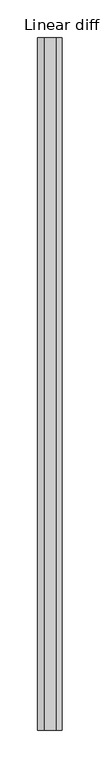
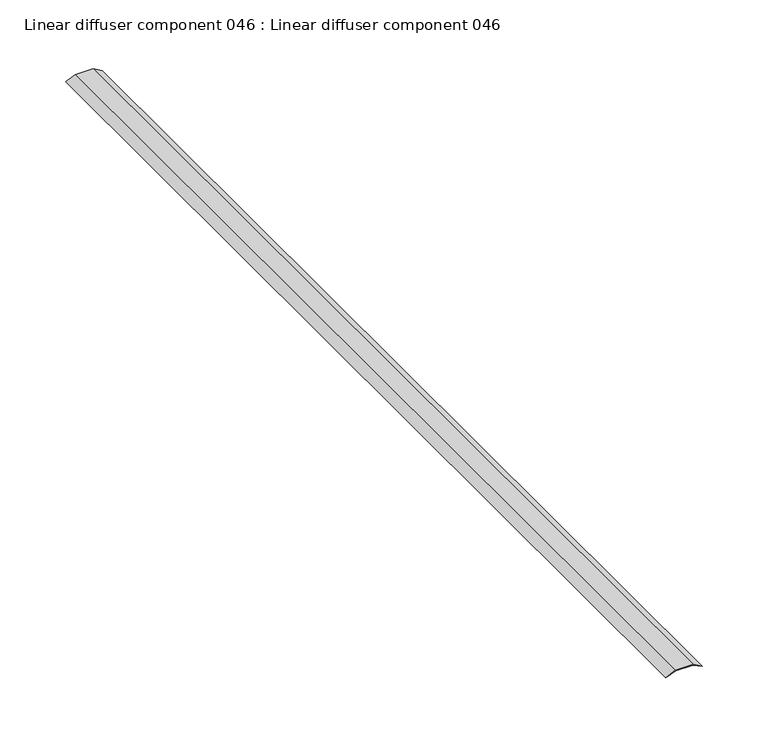
"""IFC4 building model written with IfcOpenShell, lengths in millimetres: proxy geometry, Linear diffuser component 046 : Linear diffuser component 046."""

import ifcopenshell
import ifcopenshell.guid

model = None  # the IFC model being written
_history = None  # IfcOwnerHistory: only IFC2X3 demands one
_inside = {}  # id of a spatial element -> (the spatial element, [elements in it])
_under = {}  # id of a project, library or spatial element -> (it, [spatial elements below it])
_declared = {}  # id of a project -> (the project, [libraries it declares])
_typed = {}  # id of a type object -> (the type object, [elements of that type])
_made_of = {}  # id of a material, layer set ... -> (it, [elements and type objects made of it])


def new_model(schema):
    """Start an empty IFC model of exactly this schema.

    Asked for "IFC4X3", IfcOpenShell would pick the latest addendum, in which some entities
    have other attributes; the version numbers below select the first issue.
    IFC2X3 requires an IfcOwnerHistory on every rooted entity: one is made here for all.
    """
    global model, _history
    if schema == "IFC4X3":
        model = ifcopenshell.file(schema_version=(4, 3, 0, 0))
    else:
        model = ifcopenshell.file(schema=schema)
    _inside.clear()
    _under.clear()
    _declared.clear()
    _typed.clear()
    _made_of.clear()
    _history = None
    if model.schema == "IFC2X3":
        org = make("IfcOrganization", Name="unknown")
        user = make(
            "IfcPersonAndOrganization",
            ThePerson=make("IfcPerson", FamilyName="unknown"),
            TheOrganization=org,
        )
        app = make(
            "IfcApplication",
            ApplicationDeveloper=org,
            Version="unknown",
            ApplicationFullName="unknown",
            ApplicationIdentifier="unknown",
        )
        _history = make(
            "IfcOwnerHistory",
            OwningUser=user,
            OwningApplication=app,
            ChangeAction="ADDED",
            CreationDate=0,
        )
    return model


def make(cls, **values):
    """One entity of the class cls with the attributes given. An attribute that is None is left unset."""
    return model.create_entity(
        cls, **{name: value for name, value in values.items() if value is not None}
    )


def rooted(cls, **values):
    """An entity with a GlobalId (a new one), such as an element, a storey or a relation."""
    return make(cls, GlobalId=ifcopenshell.guid.new(), OwnerHistory=_history, **values)


def si_unit(unit_type, name, prefix=None):
    """IfcSIUnit, for example si_unit("LENGTHUNIT", "METRE", prefix="MILLI")."""
    return make("IfcSIUnit", UnitType=unit_type, Prefix=prefix, Name=name)


def assignment(units):
    """IfcUnitAssignment: the units of a project."""
    return None if units is None else make("IfcUnitAssignment", Units=units)


def point(xyz):
    """IfcCartesianPoint."""
    return None if xyz is None else make("IfcCartesianPoint", Coordinates=xyz)


def direction(xyz):
    """IfcDirection."""
    return None if xyz is None else make("IfcDirection", DirectionRatios=xyz)


def frame(location, z_axis=None, x_axis=None):
    """IfcAxis2Placement3D, a coordinate frame: its origin and axes. An axis left out is left unset."""
    return make(
        "IfcAxis2Placement3D",
        Location=point(location),
        Axis=direction(z_axis),
        RefDirection=direction(x_axis),
    )


def origin():
    """The frame at (0, 0, 0) with its axes left unset."""
    return frame((0.0, 0.0, 0.0))


def place(relative_to, where):
    """IfcLocalPlacement: puts the frame where relative to a parent placement (None: the world)."""
    return make(
        "IfcLocalPlacement", PlacementRelTo=relative_to, RelativePlacement=where
    )


def context(
    kind, dimensions, precision=None, world=None, true_north=None, identifier=None
):
    """IfcGeometricRepresentationContext, for example the 3D "Model" context."""
    return make(
        "IfcGeometricRepresentationContext",
        ContextIdentifier=identifier,
        ContextType=kind,
        CoordinateSpaceDimension=dimensions,
        Precision=precision,
        WorldCoordinateSystem=world,
        TrueNorth=true_north,
    )


def project(units=None, contexts=None):
    """IfcProject with its units and contexts."""
    return rooted(
        "IfcProject",
        Name="project",
        RepresentationContexts=contexts,
        UnitsInContext=assignment(units),
    )


def spatial(cls, under=None, at=None, **own):
    """A site, building, storey or space (cls), placed at a placement, below another one or the project."""
    s = rooted(cls, ObjectPlacement=at, **own)
    if under is not None:
        _under.setdefault(under.id(), (under, []))[1].append(s)
    return s


def polyline(points):
    """IfcPolyline through the points."""
    return make("IfcPolyline", Points=[point(p) for p in points])


def outline(outer, holes=None, kind="AREA"):
    """IfcArbitraryClosedProfileDef: a profile drawn as a closed curve; with holes, ...WithVoids."""
    if holes is None:
        return make("IfcArbitraryClosedProfileDef", ProfileType=kind, OuterCurve=outer)
    return make(
        "IfcArbitraryProfileDefWithVoids",
        ProfileType=kind,
        OuterCurve=outer,
        InnerCurves=holes,
    )


def extrude(swept, where, along, depth):
    """IfcExtrudedAreaSolid: the profile swept, set in the frame where, extruded along a direction by depth."""
    return make(
        "IfcExtrudedAreaSolid",
        SweptArea=swept,
        Position=where,
        ExtrudedDirection=direction(along),
        Depth=depth,
    )


def shape(context_of_items, identifier, shape_type, items):
    """IfcShapeRepresentation: the items that make up one representation, for example the "Body"."""
    return make(
        "IfcShapeRepresentation",
        ContextOfItems=context_of_items,
        RepresentationIdentifier=identifier,
        RepresentationType=shape_type,
        Items=items,
    )


def source(mapping_origin, context_of_items, identifier, shape_type, items):
    """IfcRepresentationMap: a shape defined once, which mapped items show again and again."""
    return make(
        "IfcRepresentationMap",
        MappingOrigin=mapping_origin,
        MappedRepresentation=shape(context_of_items, identifier, shape_type, items),
    )


def transform(
    local_origin,
    x_axis=None,
    y_axis=None,
    z_axis=None,
    scale=None,
    scale2=None,
    scale3=None,
    uniform=True,
):
    """IfcCartesianTransformationOperator3D, or its non-uniform kind. x_axis, y_axis, z_axis: its Axis1, 2, 3."""
    if uniform:
        return make(
            "IfcCartesianTransformationOperator3D",
            Axis1=direction(x_axis),
            Axis2=direction(y_axis),
            LocalOrigin=point(local_origin),
            Scale=scale,
            Axis3=direction(z_axis),
        )
    return make(
        "IfcCartesianTransformationOperator3DnonUniform",
        Axis1=direction(x_axis),
        Axis2=direction(y_axis),
        LocalOrigin=point(local_origin),
        Scale=scale,
        Axis3=direction(z_axis),
        Scale2=scale2,
        Scale3=scale3,
    )


def mapped(mapping_source, mapping_target):
    """IfcMappedItem: shows the shape of a source again, moved by a transform."""
    return make(
        "IfcMappedItem", MappingSource=mapping_source, MappingTarget=mapping_target
    )


def made_of(thing, what):
    """Note that an element or type object is made of a material, layer set ...; save() writes the relation."""
    if what is not None:
        _made_of.setdefault(what.id(), (what, []))[1].append(thing)
    return thing


def element(
    cls,
    number,
    at=None,
    inside=None,
    cuts=None,
    type_object=None,
    material=None,
    context=None,
    identifier="Body",
    shape_type=None,
    held_by="IfcProductDefinitionShape",
    body=None,
    shapes=None,
    **own,
):
    """One element of the class cls, such as IfcWall. Its Tag is "e" and its number.

    at: its placement. inside: the storey or other place that contains it. cuts: it is an
    opening in that element (IfcRelVoidsElement). A single representation is given by context,
    identifier, shape_type and body (its items); several are given by shapes. held_by: the class
    of the entity that holds the representations. save() writes the other relations.
    """
    e = rooted(cls, Tag="e%d" % number, ObjectPlacement=at, **own)
    if body is not None:
        shapes = [shape(context, identifier, shape_type, body)]
    if shapes is not None:
        e.Representation = make(held_by, Representations=shapes)
    if inside is not None:
        _inside.setdefault(inside.id(), (inside, []))[1].append(e)
    if cuts is not None:
        rooted(
            "IfcRelVoidsElement", RelatingBuildingElement=cuts, RelatedOpeningElement=e
        )
    if type_object is not None:
        _typed.setdefault(type_object.id(), (type_object, []))[1].append(e)
    return made_of(e, material)


def aggregate(whole, parts):
    """IfcRelAggregates: a whole, such as a stair, and the parts it consists of."""
    return rooted("IfcRelAggregates", RelatingObject=whole, RelatedObjects=parts)


def save(model, path):
    """Write the relations noted so far, then the file.

    IfcRelAggregates (storeys below a building ...), IfcRelContainedInSpatialStructure (elements
    in a storey), IfcRelDefinesByType, IfcRelAssociatesMaterial and IfcRelDeclares: one each for
    every whole, place, type object, material and project.
    """
    for whole, parts in _under.values():
        aggregate(whole, parts)
    for where, things in _inside.values():
        rooted(
            "IfcRelContainedInSpatialStructure",
            RelatedElements=things,
            RelatingStructure=where,
        )
    for kind, things in _typed.values():
        rooted("IfcRelDefinesByType", RelatedObjects=things, RelatingType=kind)
    for what, things in _made_of.values():
        rooted("IfcRelAssociatesMaterial", RelatedObjects=things, RelatingMaterial=what)
    for by, libraries in _declared.values():
        rooted("IfcRelDeclares", RelatingContext=by, RelatedDefinitions=libraries)
    model.write(path)


def linear_diffuser_component_046_linear_diffuser_component_046_5e3f4914(model_context):
    return source(origin(), model_context, "Body", "SweptSolid", [
        extrude(outline(polyline([(2983.4662543, 37323.2847199), (2986.5629875, 37331.9433985), (2986.5629875, 37347.2435508), (2982.7607705, 37355.5802638), (2987.3386468, 37347.4116505), (2987.3386468, 37331.7752988), (2983.4662543, 37323.2847199)])), frame((0.0, -19576.8264268, 0.0), z_axis=(0.0, 1.0, 0.0), x_axis=(0.0, 0.0, 1.0)), (0.0, 0.0, 1.0), 914.4),
    ])


if __name__ == "__main__":
    model = new_model("IFC4")
    model_context = context("Model", 3, world=origin())
    ifc_project = project(units=[si_unit("LENGTHUNIT", "METRE", prefix="MILLI")], contexts=[model_context])
    site = spatial("IfcSite", under=ifc_project)
    building = spatial("IfcBuilding", under=site)
    placement = place(None, origin())
    linear_diffuser_component_046_linear_diffuser_component_046_shape = linear_diffuser_component_046_linear_diffuser_component_046_5e3f4914(model_context)
    element("IfcBuildingElementProxy", 1, Name="Linear diffuser component 046 : Linear diffuser component 046", ObjectType="Linear diffuser component 046 : Linear diffuser component 046", at=placement, inside=building, context=model_context, shape_type="MappedRepresentation", body=[
        mapped(linear_diffuser_component_046_linear_diffuser_component_046_shape, transform((0.0, 0.0, 0.0), x_axis=(1.0, 0.0, 0.0), y_axis=(0.0, 1.0, 0.0), z_axis=(0.0, 0.0, 1.0))),
    ])
    save(model, "model.ifc")
